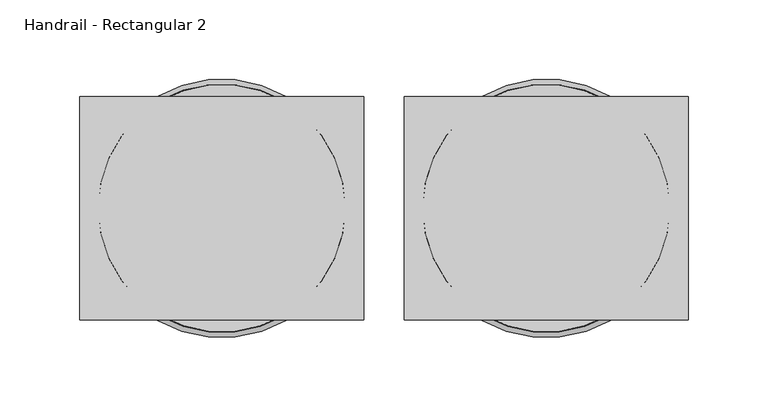
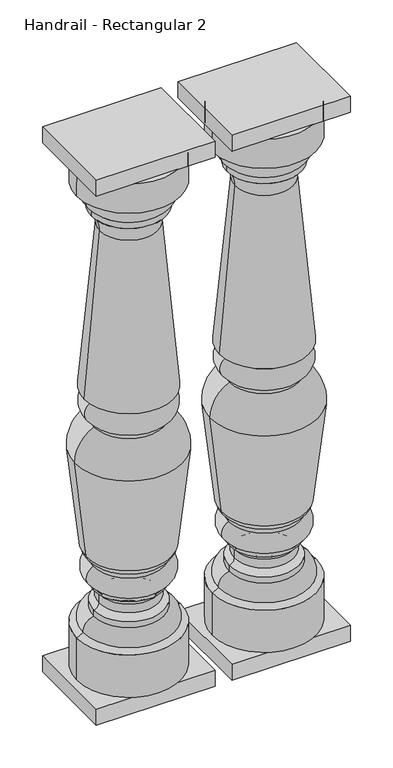
"""IFC4 building model written with IfcOpenShell, lengths in millimetres: railing geometry, Handrail - Rectangular 2."""

from ifc_helpers import new_model, si_unit, point, frame, origin, place, context, project, spatial, polyline, circle_curve, ellipse_curve, trimmed, outline, extrude, source, transform, mapped, element, save
from ifc_brep_helpers import plane_surface, cylinder_surface, revolved_surface, advanced_brep


def handrail_rectangular_2_6f6f7651(model_context):
    return source(origin(), model_context, "Body", "SolidModel", [
        advanced_brep(
        [(5358.7566037, 2117.5239298, 949.325), (5281.1953648, 2117.5239298, 949.325), (5436.3178426, 2117.5239298, 949.325), (5436.5441037, 2117.5239298, 136.525), (5280.9691037, 2117.5239298, 136.525), (5358.7566037, 2117.5239298, 136.525), (5436.5441037, 2117.5239298, 203.2), (5280.9691037, 2117.5239298, 203.2), (5426.9320698, 2117.5239298, 208.348485), (5290.5811377, 2117.5239298, 208.348485), (5411.1441037, 2117.5239298, 228.7310532), (5306.3691037, 2117.5239298, 228.7310532), (5411.1441037, 2117.5239298, 238.125), (5306.3691037, 2117.5239298, 238.125), (5403.5253868, 2117.5239298, 247.1598162), (5313.9878206, 2117.5239298, 247.1598162), (5403.5253868, 2117.5239298, 260.8401838), (5313.9878206, 2117.5239298, 260.8401838), (5411.1441037, 2117.5239298, 269.875), (5306.3691037, 2117.5239298, 269.875), (5411.1441037, 2117.5239298, 276.225), (5306.3691037, 2117.5239298, 276.225), (5411.9378537, 2117.5239298, 307.975), (5305.5753537, 2117.5239298, 307.975), (5411.9378537, 2117.5239298, 314.325), (5305.5753537, 2117.5239298, 314.325), (5422.7106385, 2117.5239298, 327.0157842), (5294.8025689, 2117.5239298, 327.0157842), (5439.7977192, 2117.5239298, 481.3725887), (5277.7154883, 2117.5239298, 481.3725887), (5411.1441037, 2117.5239298, 528.6375), (5306.3691037, 2117.5239298, 528.6375), (5411.1441037, 2117.5239298, 534.9875), (5306.3691037, 2117.5239298, 534.9875), (5414.3191037, 2117.5239298, 569.9125), (5303.1941037, 2117.5239298, 569.9125), (5414.3191037, 2117.5239298, 573.0875), (5303.1941037, 2117.5239298, 573.0875), (5425.4316037, 2117.5239298, 577.85), (5292.0816037, 2117.5239298, 577.85), (5402.2530916, 2117.5239298, 836.3199218), (5315.2601158, 2117.5239298, 836.3199218), (5414.3191037, 2117.5239298, 863.6), (5303.1941037, 2117.5239298, 863.6), (5414.3191037, 2117.5239298, 873.125), (5303.1941037, 2117.5239298, 873.125), (5425.4316037, 2117.5239298, 900.1125), (5292.0816037, 2117.5239298, 900.1125), (5436.5441037, 2117.5239298, 903.2875), (5280.9691037, 2117.5239298, 903.2875)],
        [
            (0, 1),
            (1, 2, circle_curve(frame((5358.7566037, 2117.5239298, 949.325), z_axis=(0.0, 0.0, 1.0), x_axis=(-1.0, 0.0, 0.0)), 77.5612389)),
            (2, 0),
            (2, 1, circle_curve(frame((5358.7566037, 2117.5239298, 949.325), z_axis=(0.0, 0.0, 1.0), x_axis=(-1.0, 0.0, 0.0)), 77.5612389)),
            (3, 4, circle_curve(frame((5358.7566037, 2117.5239298, 136.525), z_axis=(0.0, 0.0, -1.0), x_axis=(-1.0, 0.0, 0.0)), 77.7875)),
            (4, 5),
            (5, 3),
            (4, 3, circle_curve(frame((5358.7566037, 2117.5239298, 136.525), z_axis=(0.0, 0.0, -1.0), x_axis=(-1.0, 0.0, 0.0)), 77.7875)),
            (6, 7, circle_curve(frame((5358.7566037, 2117.5239298, 203.2), z_axis=(0.0, 0.0, -1.0), x_axis=(-1.0, 0.0, 0.0)), 77.7875)),
            (7, 4),
            (3, 6),
            (7, 6, circle_curve(frame((5358.7566037, 2117.5239298, 203.2), z_axis=(0.0, 0.0, -1.0), x_axis=(-1.0, 0.0, 0.0)), 77.7875)),
            (8, 9, circle_curve(frame((5358.7566037, 2117.5239298, 208.348485), z_axis=(0.0, 0.0, -1.0), x_axis=(-1.0, 0.0, 0.0)), 68.175466)),
            (9, 7),
            (6, 8),
            (9, 8, circle_curve(frame((5358.7566037, 2117.5239298, 208.348485), z_axis=(0.0, 0.0, -1.0), x_axis=(-1.0, 0.0, 0.0)), 68.175466)),
            (10, 11, circle_curve(frame((5358.7566037, 2117.5239298, 228.7310532), z_axis=(0.0, 0.0, -1.0), x_axis=(-1.0, 0.0, 0.0)), 52.3875)),
            (11, 9, circle_curve(frame((5308.7441926, 2117.5239298, 210.5855331), z_axis=(0.0, -1.0, 0.0), x_axis=(1.0, 0.0, 0.0)), 18.3002991)),
            (8, 10, circle_curve(frame((5408.7690149, 2117.5239298, 210.5855331), z_axis=(0.0, -1.0, 0.0), x_axis=(-1.0, 0.0, 0.0)), 18.3002991)),
            (11, 10, circle_curve(frame((5358.7566037, 2117.5239298, 228.7310532), z_axis=(0.0, 0.0, -1.0), x_axis=(-1.0, 0.0, 0.0)), 52.3875)),
            (12, 13, circle_curve(frame((5358.7566037, 2117.5239298, 238.125), z_axis=(0.0, 0.0, -1.0), x_axis=(-1.0, 0.0, 0.0)), 52.3875)),
            (13, 11),
            (10, 12),
            (13, 12, circle_curve(frame((5358.7566037, 2117.5239298, 238.125), z_axis=(0.0, 0.0, -1.0), x_axis=(-1.0, 0.0, 0.0)), 52.3875)),
            (14, 15, circle_curve(frame((5358.7566037, 2117.5239298, 247.1598162), z_axis=(0.0, 0.0, -1.0), x_axis=(-1.0, 0.0, 0.0)), 44.7687831)),
            (15, 13, circle_curve(frame((5304.5837685, 2117.5239298, 247.3602005), z_axis=(0.0, 1.0, 0.0), x_axis=(1.0, 0.0, 0.0)), 9.4061868)),
            (12, 14, circle_curve(frame((5412.929439, 2117.5239298, 247.3602005), z_axis=(0.0, 1.0, 0.0), x_axis=(-1.0, 0.0, 0.0)), 9.4061868)),
            (15, 14, circle_curve(frame((5358.7566037, 2117.5239298, 247.1598162), z_axis=(0.0, 0.0, -1.0), x_axis=(-1.0, 0.0, 0.0)), 44.7687831)),
            (16, 17, circle_curve(frame((5358.7566037, 2117.5239298, 260.8401838), z_axis=(0.0, 0.0, -1.0), x_axis=(-1.0, 0.0, 0.0)), 44.7687831)),
            (17, 15),
            (14, 16),
            (17, 16, circle_curve(frame((5358.7566037, 2117.5239298, 260.8401838), z_axis=(0.0, 0.0, -1.0), x_axis=(-1.0, 0.0, 0.0)), 44.7687831)),
            (18, 19, circle_curve(frame((5358.7566037, 2117.5239298, 269.875), z_axis=(0.0, 0.0, -1.0), x_axis=(-1.0, 0.0, 0.0)), 52.3875)),
            (19, 17, circle_curve(frame((5304.5837685, 2117.5239298, 260.6397995), z_axis=(0.0, 1.0, 0.0), x_axis=(1.0, 0.0, 0.0)), 9.4061868)),
            (16, 18, circle_curve(frame((5412.929439, 2117.5239298, 260.6397995), z_axis=(0.0, 1.0, 0.0), x_axis=(-1.0, 0.0, 0.0)), 9.4061868)),
            (19, 18, circle_curve(frame((5358.7566037, 2117.5239298, 269.875), z_axis=(0.0, 0.0, -1.0), x_axis=(-1.0, 0.0, 0.0)), 52.3875)),
            (20, 21, circle_curve(frame((5358.7566037, 2117.5239298, 276.225), z_axis=(0.0, 0.0, -1.0), x_axis=(-1.0, 0.0, 0.0)), 52.3875)),
            (21, 19),
            (18, 20),
            (21, 20, circle_curve(frame((5358.7566037, 2117.5239298, 276.225), z_axis=(0.0, 0.0, -1.0), x_axis=(-1.0, 0.0, 0.0)), 52.3875)),
            (22, 23, circle_curve(frame((5358.7566037, 2117.5239298, 307.975), z_axis=(0.0, 0.0, -1.0), x_axis=(-1.0, 0.0, 0.0)), 53.18125)),
            (23, 21, circle_curve(frame((5311.9481914, 2117.5239298, 292.2493991), z_axis=(0.0, -1.0, 0.0), x_axis=(1.0, 0.0, 0.0)), 16.9678397)),
            (20, 22, circle_curve(frame((5405.5650161, 2117.5239298, 292.2493991), z_axis=(0.0, -1.0, 0.0), x_axis=(-1.0, 0.0, 0.0)), 16.9678397)),
            (23, 22, circle_curve(frame((5358.7566037, 2117.5239298, 307.975), z_axis=(0.0, 0.0, -1.0), x_axis=(-1.0, 0.0, 0.0)), 53.18125)),
            (24, 25, circle_curve(frame((5358.7566037, 2117.5239298, 314.325), z_axis=(0.0, 0.0, -1.0), x_axis=(-1.0, 0.0, 0.0)), 53.18125)),
            (25, 23),
            (22, 24),
            (25, 24, circle_curve(frame((5358.7566037, 2117.5239298, 314.325), z_axis=(0.0, 0.0, -1.0), x_axis=(-1.0, 0.0, 0.0)), 53.18125)),
            (26, 27, circle_curve(frame((5358.7566037, 2117.5239298, 327.0157842), z_axis=(0.0, 0.0, -1.0), x_axis=(-1.0, 0.0, 0.0)), 63.9540348)),
            (27, 25, circle_curve(frame((5315.4087261, 2117.5239298, 333.5899445), z_axis=(0.0, -1.0, 0.0), x_axis=(1.0, 0.0, 0.0)), 21.6294545)),
            (24, 26, circle_curve(frame((5402.1044813, 2117.5239298, 333.5899445), z_axis=(0.0, -1.0, 0.0), x_axis=(-1.0, 0.0, 0.0)), 21.6294545)),
            (27, 26, circle_curve(frame((5358.7566037, 2117.5239298, 327.0157842), z_axis=(0.0, 0.0, -1.0), x_axis=(-1.0, 0.0, 0.0)), 63.9540348)),
            (28, 29, circle_curve(frame((5358.7566037, 2117.5239298, 481.3725887), z_axis=(0.0, 0.0, -1.0), x_axis=(-1.0, 0.0, 0.0)), 81.0411154)),
            (29, 27, circle_curve(frame((6772.042934, 2117.5239298, 568.6683698), z_axis=(0.0, -1.0, 0.0), x_axis=(1.0, 0.0, 0.0)), 1496.8751012)),
            (26, 28, circle_curve(frame((3945.4702734, 2117.5239298, 568.6683698), z_axis=(0.0, -1.0, 0.0), x_axis=(-1.0, 0.0, 0.0)), 1496.8751012)),
            (29, 28, circle_curve(frame((5358.7566037, 2117.5239298, 481.3725887), z_axis=(0.0, 0.0, -1.0), x_axis=(-1.0, 0.0, 0.0)), 81.0411154)),
            (30, 31, circle_curve(frame((5358.7566037, 2117.5239298, 528.6375), z_axis=(0.0, 0.0, -1.0), x_axis=(-1.0, 0.0, 0.0)), 52.3875)),
            (31, 29, circle_curve(frame((5329.4682544, 2117.5239298, 482.3161407), z_axis=(0.0, -1.0, 0.0), x_axis=(1.0, 0.0, 0.0)), 51.7613668)),
            (28, 30, circle_curve(frame((5388.044953, 2117.5239298, 482.3161407), z_axis=(0.0, -1.0, 0.0), x_axis=(-1.0, 0.0, 0.0)), 51.7613668)),
            (31, 30, circle_curve(frame((5358.7566037, 2117.5239298, 528.6375), z_axis=(0.0, 0.0, -1.0), x_axis=(-1.0, 0.0, 0.0)), 52.3875)),
            (32, 33, circle_curve(frame((5358.7566037, 2117.5239298, 534.9875), z_axis=(0.0, 0.0, -1.0), x_axis=(-1.0, 0.0, 0.0)), 52.3875)),
            (33, 31),
            (30, 32),
            (33, 32, circle_curve(frame((5358.7566037, 2117.5239298, 534.9875), z_axis=(0.0, 0.0, -1.0), x_axis=(-1.0, 0.0, 0.0)), 52.3875)),
            (34, 35, circle_curve(frame((5358.7566037, 2117.5239298, 569.9125), z_axis=(0.0, 0.0, -1.0), x_axis=(-1.0, 0.0, 0.0)), 55.5625)),
            (35, 33, circle_curve(frame((5311.4353561, 2117.5239298, 553.0548866), z_axis=(0.0, -1.0, 0.0), x_axis=(1.0, 0.0, 0.0)), 18.7642578)),
            (32, 34, circle_curve(frame((5406.0778513, 2117.5239298, 553.0548866), z_axis=(0.0, -1.0, 0.0), x_axis=(-1.0, 0.0, 0.0)), 18.7642578)),
            (35, 34, circle_curve(frame((5358.7566037, 2117.5239298, 569.9125), z_axis=(0.0, 0.0, -1.0), x_axis=(-1.0, 0.0, 0.0)), 55.5625)),
            (36, 37, circle_curve(frame((5358.7566037, 2117.5239298, 573.0875), z_axis=(0.0, 0.0, -1.0), x_axis=(-1.0, 0.0, 0.0)), 55.5625)),
            (37, 35),
            (34, 36),
            (37, 36, circle_curve(frame((5358.7566037, 2117.5239298, 573.0875), z_axis=(0.0, 0.0, -1.0), x_axis=(-1.0, 0.0, 0.0)), 55.5625)),
            (38, 39, circle_curve(frame((5358.7566037, 2117.5239298, 577.85), z_axis=(0.0, 0.0, -1.0), x_axis=(-1.0, 0.0, 0.0)), 66.675)),
            (39, 37),
            (36, 38),
            (39, 38, circle_curve(frame((5358.7566037, 2117.5239298, 577.85), z_axis=(0.0, 0.0, -1.0), x_axis=(-1.0, 0.0, 0.0)), 66.675)),
            (40, 41, circle_curve(frame((5358.7566037, 2117.5239298, 836.3199218), z_axis=(0.0, 0.0, -1.0), x_axis=(-1.0, 0.0, 0.0)), 43.4964879)),
            (41, 39, circle_curve(frame((3668.4236899, 2117.5239298, 853.7271544), z_axis=(0.0, 1.0, 0.0), x_axis=(1.0, 0.0, 0.0)), 1646.9284215)),
            (38, 40, circle_curve(frame((7049.0895176, 2117.5239298, 853.7271544), z_axis=(0.0, 1.0, 0.0), x_axis=(-1.0, 0.0, 0.0)), 1646.9284215)),
            (41, 40, circle_curve(frame((5358.7566037, 2117.5239298, 836.3199218), z_axis=(0.0, 0.0, -1.0), x_axis=(-1.0, 0.0, 0.0)), 43.4964879)),
            (42, 43, circle_curve(frame((5358.7566037, 2117.5239298, 863.6), z_axis=(0.0, 0.0, -1.0), x_axis=(-1.0, 0.0, 0.0)), 55.5625)),
            (43, 41, circle_curve(frame((5282.5559569, 2117.5239298, 838.1632773), z_axis=(0.0, 1.0, 0.0), x_axis=(1.0, 0.0, 0.0)), 32.7560676)),
            (40, 42, circle_curve(frame((5434.9572505, 2117.5239298, 838.1632773), z_axis=(0.0, 1.0, 0.0), x_axis=(-1.0, 0.0, 0.0)), 32.7560676)),
            (43, 42, circle_curve(frame((5358.7566037, 2117.5239298, 863.6), z_axis=(0.0, 0.0, -1.0), x_axis=(-1.0, 0.0, 0.0)), 55.5625)),
            (44, 45, circle_curve(frame((5358.7566037, 2117.5239298, 873.125), z_axis=(0.0, 0.0, -1.0), x_axis=(-1.0, 0.0, 0.0)), 55.5625)),
            (45, 43),
            (42, 44),
            (45, 44, circle_curve(frame((5358.7566037, 2117.5239298, 873.125), z_axis=(0.0, 0.0, -1.0), x_axis=(-1.0, 0.0, 0.0)), 55.5625)),
            (46, 47, circle_curve(frame((5358.7566037, 2117.5239298, 900.1125), z_axis=(0.0, 0.0, -1.0), x_axis=(-1.0, 0.0, 0.0)), 66.675)),
            (47, 45, circle_curve(frame((5321.4418255, 2117.5239298, 896.4203854), z_axis=(0.0, -1.0, 0.0), x_axis=(1.0, 0.0, 0.0)), 29.5914571)),
            (44, 46, circle_curve(frame((5396.0713819, 2117.5239298, 896.4203854), z_axis=(0.0, -1.0, 0.0), x_axis=(-1.0, 0.0, 0.0)), 29.5914571)),
            (47, 46, circle_curve(frame((5358.7566037, 2117.5239298, 900.1125), z_axis=(0.0, 0.0, -1.0), x_axis=(-1.0, 0.0, 0.0)), 66.675)),
            (48, 49, circle_curve(frame((5358.7566037, 2117.5239298, 903.2875), z_axis=(0.0, 0.0, -1.0), x_axis=(-1.0, 0.0, 0.0)), 77.7875)),
            (49, 47),
            (46, 48),
            (49, 48, circle_curve(frame((5358.7566037, 2117.5239298, 903.2875), z_axis=(0.0, 0.0, -1.0), x_axis=(-1.0, 0.0, 0.0)), 77.7875)),
            (1, 49),
            (48, 2),
        ],
        [
            plane_surface(frame((5358.7566037, 2117.5239298, 949.325), z_axis=(0.0, 0.0, 1.0), x_axis=(-1.0, 0.0, 0.0))),
            plane_surface(frame((5358.7566037, 2117.5239298, 136.525), z_axis=(0.0, 0.0, -1.0), x_axis=(-1.0, 0.0, 0.0))),
            cylinder_surface(frame((5358.7566037, 2117.5239298, 1019.175), z_axis=(0.0, 0.0, 1.0), x_axis=(-1.0, 0.0, 0.0)), 77.7875),
            revolved_surface(polyline([(5280.9691037, 2117.5239298, 203.2), (5290.5811377, 2117.5239298, 208.348485)]), (5358.7566037, 2117.5239298, 1019.175), (0.0, 0.0, 1.0)),
            revolved_surface(trimmed(ellipse_curve(frame((5308.7441926, 2117.5239298, 210.5855331), z_axis=(0.0, 1.0, 0.0), x_axis=(1.0, 0.0, 0.0)), 18.3002991, 18.3002991), [point((5290.5811377, 2117.5239298, 208.348485))], [point((5306.3691037, 2117.5239298, 228.7310532))], True, "CARTESIAN"), (5358.7566037, 2117.5239298, 1019.175), (0.0, 0.0, 1.0)),
            cylinder_surface(frame((5358.7566037, 2117.5239298, 1019.175), z_axis=(0.0, 0.0, 1.0), x_axis=(-1.0, 0.0, 0.0)), 52.3875),
            revolved_surface(trimmed(ellipse_curve(frame((5304.5837685, 2117.5239298, 247.3602005), z_axis=(0.0, -1.0, 0.0), x_axis=(1.0, 0.0, 0.0)), 9.4061868, 9.4061868), [point((5306.3691037, 2117.5239298, 238.125))], [point((5313.9878206, 2117.5239298, 247.1598162))], True, "CARTESIAN"), (5358.7566037, 2117.5239298, 1019.175), (0.0, 0.0, 1.0)),
            cylinder_surface(frame((5358.7566037, 2117.5239298, 1019.175), z_axis=(0.0, 0.0, 1.0), x_axis=(-1.0, 0.0, 0.0)), 44.7687831),
            revolved_surface(trimmed(ellipse_curve(frame((5304.5837685, 2117.5239298, 260.6397995), z_axis=(0.0, -1.0, 0.0), x_axis=(1.0, 0.0, 0.0)), 9.4061868, 9.4061868), [point((5313.9878206, 2117.5239298, 260.8401838))], [point((5306.3691037, 2117.5239298, 269.875))], True, "CARTESIAN"), (5358.7566037, 2117.5239298, 1019.175), (0.0, 0.0, 1.0)),
            revolved_surface(trimmed(ellipse_curve(frame((5311.9481914, 2117.5239298, 292.2493991), z_axis=(0.0, 1.0, 0.0), x_axis=(1.0, 0.0, 0.0)), 16.9678397, 16.9678397), [point((5306.3691037, 2117.5239298, 276.225))], [point((5305.5753537, 2117.5239298, 307.975))], True, "CARTESIAN"), (5358.7566037, 2117.5239298, 1019.175), (0.0, 0.0, 1.0)),
            cylinder_surface(frame((5358.7566037, 2117.5239298, 1019.175), z_axis=(0.0, 0.0, 1.0), x_axis=(-1.0, 0.0, 0.0)), 53.18125),
            revolved_surface(trimmed(ellipse_curve(frame((5315.4087261, 2117.5239298, 333.5899445), z_axis=(0.0, 1.0, 0.0), x_axis=(1.0, 0.0, 0.0)), 21.6294545, 21.6294545), [point((5305.5753537, 2117.5239298, 314.325))], [point((5294.8025689, 2117.5239298, 327.0157842))], True, "CARTESIAN"), (5358.7566037, 2117.5239298, 1019.175), (0.0, 0.0, 1.0)),
            revolved_surface(trimmed(ellipse_curve(frame((6772.042934, 2117.5239298, 568.6683698), z_axis=(0.0, 1.0, 0.0), x_axis=(1.0, 0.0, 0.0)), 1496.8751012, 1496.8751012), [point((5294.8025689, 2117.5239298, 327.0157842))], [point((5277.7154883, 2117.5239298, 481.3725887))], True, "CARTESIAN"), (5358.7566037, 2117.5239298, 1019.175), (0.0, 0.0, 1.0)),
            revolved_surface(trimmed(ellipse_curve(frame((5329.4682544, 2117.5239298, 482.3161407), z_axis=(0.0, 1.0, 0.0), x_axis=(1.0, 0.0, 0.0)), 51.7613668, 51.7613668), [point((5277.7154883, 2117.5239298, 481.3725887))], [point((5306.3691037, 2117.5239298, 528.6375))], True, "CARTESIAN"), (5358.7566037, 2117.5239298, 1019.175), (0.0, 0.0, 1.0)),
            revolved_surface(trimmed(ellipse_curve(frame((5311.4353561, 2117.5239298, 553.0548866), z_axis=(0.0, 1.0, 0.0), x_axis=(1.0, 0.0, 0.0)), 18.7642578, 18.7642578), [point((5306.3691037, 2117.5239298, 534.9875))], [point((5303.1941037, 2117.5239298, 569.9125))], True, "CARTESIAN"), (5358.7566037, 2117.5239298, 1019.175), (0.0, 0.0, 1.0)),
            cylinder_surface(frame((5358.7566037, 2117.5239298, 1019.175), z_axis=(0.0, 0.0, 1.0), x_axis=(-1.0, 0.0, 0.0)), 55.5625),
            revolved_surface(polyline([(5303.1941037, 2117.5239298, 573.0875), (5292.0816037, 2117.5239298, 577.85)]), (5358.7566037, 2117.5239298, 1019.175), (0.0, 0.0, 1.0)),
            revolved_surface(trimmed(ellipse_curve(frame((3668.4236899, 2117.5239298, 853.7271544), z_axis=(0.0, -1.0, 0.0), x_axis=(1.0, 0.0, 0.0)), 1646.9284215, 1646.9284215), [point((5292.0816037, 2117.5239298, 577.85))], [point((5315.2601158, 2117.5239298, 836.3199218))], True, "CARTESIAN"), (5358.7566037, 2117.5239298, 1019.175), (0.0, 0.0, 1.0)),
            revolved_surface(trimmed(ellipse_curve(frame((5282.5559569, 2117.5239298, 838.1632773), z_axis=(0.0, -1.0, 0.0), x_axis=(1.0, 0.0, 0.0)), 32.7560676, 32.7560676), [point((5315.2601158, 2117.5239298, 836.3199218))], [point((5303.1941037, 2117.5239298, 863.6))], True, "CARTESIAN"), (5358.7566037, 2117.5239298, 1019.175), (0.0, 0.0, 1.0)),
            revolved_surface(trimmed(ellipse_curve(frame((5321.4418255, 2117.5239298, 896.4203854), z_axis=(0.0, 1.0, 0.0), x_axis=(1.0, 0.0, 0.0)), 29.5914571, 29.5914571), [point((5303.1941037, 2117.5239298, 873.125))], [point((5292.0816037, 2117.5239298, 900.1125))], True, "CARTESIAN"), (5358.7566037, 2117.5239298, 1019.175), (0.0, 0.0, 1.0)),
            revolved_surface(polyline([(5292.0816037, 2117.5239298, 900.1125), (5280.9691037, 2117.5239298, 903.2875)]), (5358.7566037, 2117.5239298, 1019.175), (0.0, 0.0, 1.0)),
            revolved_surface(polyline([(5280.9691037, 2117.5239298, 903.2875), (5281.1953648, 2117.5239298, 949.325)]), (5358.7566037, 2117.5239298, 1019.175), (0.0, 0.0, 1.0)),
        ],
        [
            (0, [[1, 2, 3]]),
            (0, [[-3, 4, -1]]),
            (1, [[5, 6, 7]]),
            (1, [[8, -7, -6]]),
            (2, [[9, 10, -5, 11]]),
            (2, [[12, -11, -8, -10]]),
            (3, [[13, 14, -9, 15]]),
            (3, [[16, -15, -12, -14]]),
            (4, [[17, 18, -13, 19]]),
            (4, [[20, -19, -16, -18]]),
            (5, [[21, 22, -17, 23]]),
            (5, [[24, -23, -20, -22]]),
            (6, [[25, 26, -21, 27]]),
            (6, [[28, -27, -24, -26]]),
            (7, [[29, 30, -25, 31]]),
            (7, [[32, -31, -28, -30]]),
            (8, [[33, 34, -29, 35]]),
            (8, [[36, -35, -32, -34]]),
            (5, [[37, 38, -33, 39]]),
            (5, [[40, -39, -36, -38]]),
            (9, [[41, 42, -37, 43]]),
            (9, [[44, -43, -40, -42]]),
            (10, [[45, 46, -41, 47]]),
            (10, [[48, -47, -44, -46]]),
            (11, [[49, 50, -45, 51]]),
            (11, [[52, -51, -48, -50]]),
            (12, [[53, 54, -49, 55]]),
            (12, [[56, -55, -52, -54]]),
            (13, [[57, 58, -53, 59]]),
            (13, [[60, -59, -56, -58]]),
            (5, [[61, 62, -57, 63]]),
            (5, [[64, -63, -60, -62]]),
            (14, [[65, 66, -61, 67]]),
            (14, [[68, -67, -64, -66]]),
            (15, [[69, 70, -65, 71]]),
            (15, [[72, -71, -68, -70]]),
            (16, [[73, 74, -69, 75]]),
            (16, [[76, -75, -72, -74]]),
            (17, [[77, 78, -73, 79]]),
            (17, [[80, -79, -76, -78]]),
            (18, [[81, 82, -77, 83]]),
            (18, [[84, -83, -80, -82]]),
            (15, [[85, 86, -81, 87]]),
            (15, [[88, -87, -84, -86]]),
            (19, [[89, 90, -85, 91]]),
            (19, [[92, -91, -88, -90]]),
            (20, [[93, 94, -89, 95]]),
            (20, [[96, -95, -92, -94]]),
            (21, [[-2, 97, -93, 98]]),
            (21, [[-4, -98, -96, -97]]),
        ],
    ),
        extrude(outline(polyline([(5269.8566037, 2047.6739298), (5269.8566037, 2187.3739298), (5447.6566037, 2187.3739298), (5447.6566037, 2047.6739298), (5269.8566037, 2047.6739298)])), frame((0.0, 0.0, 111.125), z_axis=(0.0, 0.0, 1.0), x_axis=(1.0, 0.0, 0.0)), (0.0, 0.0, 1.0), 25.4),
        extrude(outline(polyline([(5269.8566037, 2187.3739298), (5447.6566037, 2187.3739298), (5447.6566037, 2047.6739298), (5269.8566037, 2047.6739298), (5269.8566037, 2187.3739298)])), frame((0.0, 0.0, 949.325), z_axis=(0.0, 0.0, 1.0), x_axis=(1.0, 0.0, 0.0)), (0.0, 0.0, 1.0), 25.4),
        advanced_brep(
        [(5155.5566037, 2117.5239298, 949.325), (5077.9953648, 2117.5239298, 949.325), (5233.1178426, 2117.5239298, 949.325), (5233.3441037, 2117.5239298, 136.525), (5077.7691037, 2117.5239298, 136.525), (5155.5566037, 2117.5239298, 136.525), (5233.3441037, 2117.5239298, 203.2), (5077.7691037, 2117.5239298, 203.2), (5223.7320698, 2117.5239298, 208.348485), (5087.3811377, 2117.5239298, 208.348485), (5207.9441037, 2117.5239298, 228.7310532), (5103.1691037, 2117.5239298, 228.7310532), (5207.9441037, 2117.5239298, 238.125), (5103.1691037, 2117.5239298, 238.125), (5200.3253868, 2117.5239298, 247.1598162), (5110.7878206, 2117.5239298, 247.1598162), (5200.3253868, 2117.5239298, 260.8401838), (5110.7878206, 2117.5239298, 260.8401838), (5207.9441037, 2117.5239298, 269.875), (5103.1691037, 2117.5239298, 269.875), (5207.9441037, 2117.5239298, 276.225), (5103.1691037, 2117.5239298, 276.225), (5208.7378537, 2117.5239298, 307.975), (5102.3753537, 2117.5239298, 307.975), (5208.7378537, 2117.5239298, 314.325), (5102.3753537, 2117.5239298, 314.325), (5219.5106385, 2117.5239298, 327.0157842), (5091.6025689, 2117.5239298, 327.0157842), (5236.5977192, 2117.5239298, 481.3725887), (5074.5154883, 2117.5239298, 481.3725887), (5207.9441037, 2117.5239298, 528.6375), (5103.1691037, 2117.5239298, 528.6375), (5207.9441037, 2117.5239298, 534.9875), (5103.1691037, 2117.5239298, 534.9875), (5211.1191037, 2117.5239298, 569.9125), (5099.9941037, 2117.5239298, 569.9125), (5211.1191037, 2117.5239298, 573.0875), (5099.9941037, 2117.5239298, 573.0875), (5222.2316037, 2117.5239298, 577.85), (5088.8816037, 2117.5239298, 577.85), (5199.0530916, 2117.5239298, 836.3199218), (5112.0601158, 2117.5239298, 836.3199218), (5211.1191037, 2117.5239298, 863.6), (5099.9941037, 2117.5239298, 863.6), (5211.1191037, 2117.5239298, 873.125), (5099.9941037, 2117.5239298, 873.125), (5222.2316037, 2117.5239298, 900.1125), (5088.8816037, 2117.5239298, 900.1125), (5233.3441037, 2117.5239298, 903.2875), (5077.7691037, 2117.5239298, 903.2875)],
        [
            (0, 1),
            (1, 2, circle_curve(frame((5155.5566037, 2117.5239298, 949.325), z_axis=(0.0, 0.0, 1.0), x_axis=(-1.0, 0.0, 0.0)), 77.5612389)),
            (2, 0),
            (2, 1, circle_curve(frame((5155.5566037, 2117.5239298, 949.325), z_axis=(0.0, 0.0, 1.0), x_axis=(-1.0, 0.0, 0.0)), 77.5612389)),
            (3, 4, circle_curve(frame((5155.5566037, 2117.5239298, 136.525), z_axis=(0.0, 0.0, -1.0), x_axis=(-1.0, 0.0, 0.0)), 77.7875)),
            (4, 5),
            (5, 3),
            (4, 3, circle_curve(frame((5155.5566037, 2117.5239298, 136.525), z_axis=(0.0, 0.0, -1.0), x_axis=(-1.0, 0.0, 0.0)), 77.7875)),
            (6, 7, circle_curve(frame((5155.5566037, 2117.5239298, 203.2), z_axis=(0.0, 0.0, -1.0), x_axis=(-1.0, 0.0, 0.0)), 77.7875)),
            (7, 4),
            (3, 6),
            (7, 6, circle_curve(frame((5155.5566037, 2117.5239298, 203.2), z_axis=(0.0, 0.0, -1.0), x_axis=(-1.0, 0.0, 0.0)), 77.7875)),
            (8, 9, circle_curve(frame((5155.5566037, 2117.5239298, 208.348485), z_axis=(0.0, 0.0, -1.0), x_axis=(-1.0, 0.0, 0.0)), 68.175466)),
            (9, 7),
            (6, 8),
            (9, 8, circle_curve(frame((5155.5566037, 2117.5239298, 208.348485), z_axis=(0.0, 0.0, -1.0), x_axis=(-1.0, 0.0, 0.0)), 68.175466)),
            (10, 11, circle_curve(frame((5155.5566037, 2117.5239298, 228.7310532), z_axis=(0.0, 0.0, -1.0), x_axis=(-1.0, 0.0, 0.0)), 52.3875)),
            (11, 9, circle_curve(frame((5105.5441926, 2117.5239298, 210.5855331), z_axis=(0.0, -1.0, 0.0), x_axis=(1.0, 0.0, 0.0)), 18.3002991)),
            (8, 10, circle_curve(frame((5205.5690149, 2117.5239298, 210.5855331), z_axis=(0.0, -1.0, 0.0), x_axis=(-1.0, 0.0, 0.0)), 18.3002991)),
            (11, 10, circle_curve(frame((5155.5566037, 2117.5239298, 228.7310532), z_axis=(0.0, 0.0, -1.0), x_axis=(-1.0, 0.0, 0.0)), 52.3875)),
            (12, 13, circle_curve(frame((5155.5566037, 2117.5239298, 238.125), z_axis=(0.0, 0.0, -1.0), x_axis=(-1.0, 0.0, 0.0)), 52.3875)),
            (13, 11),
            (10, 12),
            (13, 12, circle_curve(frame((5155.5566037, 2117.5239298, 238.125), z_axis=(0.0, 0.0, -1.0), x_axis=(-1.0, 0.0, 0.0)), 52.3875)),
            (14, 15, circle_curve(frame((5155.5566037, 2117.5239298, 247.1598162), z_axis=(0.0, 0.0, -1.0), x_axis=(-1.0, 0.0, 0.0)), 44.7687831)),
            (15, 13, circle_curve(frame((5101.3837685, 2117.5239298, 247.3602005), z_axis=(0.0, 1.0, 0.0), x_axis=(1.0, 0.0, 0.0)), 9.4061868)),
            (12, 14, circle_curve(frame((5209.729439, 2117.5239298, 247.3602005), z_axis=(0.0, 1.0, 0.0), x_axis=(-1.0, 0.0, 0.0)), 9.4061868)),
            (15, 14, circle_curve(frame((5155.5566037, 2117.5239298, 247.1598162), z_axis=(0.0, 0.0, -1.0), x_axis=(-1.0, 0.0, 0.0)), 44.7687831)),
            (16, 17, circle_curve(frame((5155.5566037, 2117.5239298, 260.8401838), z_axis=(0.0, 0.0, -1.0), x_axis=(-1.0, 0.0, 0.0)), 44.7687831)),
            (17, 15),
            (14, 16),
            (17, 16, circle_curve(frame((5155.5566037, 2117.5239298, 260.8401838), z_axis=(0.0, 0.0, -1.0), x_axis=(-1.0, 0.0, 0.0)), 44.7687831)),
            (18, 19, circle_curve(frame((5155.5566037, 2117.5239298, 269.875), z_axis=(0.0, 0.0, -1.0), x_axis=(-1.0, 0.0, 0.0)), 52.3875)),
            (19, 17, circle_curve(frame((5101.3837685, 2117.5239298, 260.6397995), z_axis=(0.0, 1.0, 0.0), x_axis=(1.0, 0.0, 0.0)), 9.4061868)),
            (16, 18, circle_curve(frame((5209.729439, 2117.5239298, 260.6397995), z_axis=(0.0, 1.0, 0.0), x_axis=(-1.0, 0.0, 0.0)), 9.4061868)),
            (19, 18, circle_curve(frame((5155.5566037, 2117.5239298, 269.875), z_axis=(0.0, 0.0, -1.0), x_axis=(-1.0, 0.0, 0.0)), 52.3875)),
            (20, 21, circle_curve(frame((5155.5566037, 2117.5239298, 276.225), z_axis=(0.0, 0.0, -1.0), x_axis=(-1.0, 0.0, 0.0)), 52.3875)),
            (21, 19),
            (18, 20),
            (21, 20, circle_curve(frame((5155.5566037, 2117.5239298, 276.225), z_axis=(0.0, 0.0, -1.0), x_axis=(-1.0, 0.0, 0.0)), 52.3875)),
            (22, 23, circle_curve(frame((5155.5566037, 2117.5239298, 307.975), z_axis=(0.0, 0.0, -1.0), x_axis=(-1.0, 0.0, 0.0)), 53.18125)),
            (23, 21, circle_curve(frame((5108.7481914, 2117.5239298, 292.2493991), z_axis=(0.0, -1.0, 0.0), x_axis=(1.0, 0.0, 0.0)), 16.9678397)),
            (20, 22, circle_curve(frame((5202.3650161, 2117.5239298, 292.2493991), z_axis=(0.0, -1.0, 0.0), x_axis=(-1.0, 0.0, 0.0)), 16.9678397)),
            (23, 22, circle_curve(frame((5155.5566037, 2117.5239298, 307.975), z_axis=(0.0, 0.0, -1.0), x_axis=(-1.0, 0.0, 0.0)), 53.18125)),
            (24, 25, circle_curve(frame((5155.5566037, 2117.5239298, 314.325), z_axis=(0.0, 0.0, -1.0), x_axis=(-1.0, 0.0, 0.0)), 53.18125)),
            (25, 23),
            (22, 24),
            (25, 24, circle_curve(frame((5155.5566037, 2117.5239298, 314.325), z_axis=(0.0, 0.0, -1.0), x_axis=(-1.0, 0.0, 0.0)), 53.18125)),
            (26, 27, circle_curve(frame((5155.5566037, 2117.5239298, 327.0157842), z_axis=(0.0, 0.0, -1.0), x_axis=(-1.0, 0.0, 0.0)), 63.9540348)),
            (27, 25, circle_curve(frame((5112.2087261, 2117.5239298, 333.5899445), z_axis=(0.0, -1.0, 0.0), x_axis=(1.0, 0.0, 0.0)), 21.6294545)),
            (24, 26, circle_curve(frame((5198.9044813, 2117.5239298, 333.5899445), z_axis=(0.0, -1.0, 0.0), x_axis=(-1.0, 0.0, 0.0)), 21.6294545)),
            (27, 26, circle_curve(frame((5155.5566037, 2117.5239298, 327.0157842), z_axis=(0.0, 0.0, -1.0), x_axis=(-1.0, 0.0, 0.0)), 63.9540348)),
            (28, 29, circle_curve(frame((5155.5566037, 2117.5239298, 481.3725887), z_axis=(0.0, 0.0, -1.0), x_axis=(-1.0, 0.0, 0.0)), 81.0411154)),
            (29, 27, circle_curve(frame((6568.842934, 2117.5239298, 568.6683698), z_axis=(0.0, -1.0, 0.0), x_axis=(1.0, 0.0, 0.0)), 1496.8751012)),
            (26, 28, circle_curve(frame((3742.2702734, 2117.5239298, 568.6683698), z_axis=(0.0, -1.0, 0.0), x_axis=(-1.0, 0.0, 0.0)), 1496.8751012)),
            (29, 28, circle_curve(frame((5155.5566037, 2117.5239298, 481.3725887), z_axis=(0.0, 0.0, -1.0), x_axis=(-1.0, 0.0, 0.0)), 81.0411154)),
            (30, 31, circle_curve(frame((5155.5566037, 2117.5239298, 528.6375), z_axis=(0.0, 0.0, -1.0), x_axis=(-1.0, 0.0, 0.0)), 52.3875)),
            (31, 29, circle_curve(frame((5126.2682544, 2117.5239298, 482.3161407), z_axis=(0.0, -1.0, 0.0), x_axis=(1.0, 0.0, 0.0)), 51.7613668)),
            (28, 30, circle_curve(frame((5184.844953, 2117.5239298, 482.3161407), z_axis=(0.0, -1.0, 0.0), x_axis=(-1.0, 0.0, 0.0)), 51.7613668)),
            (31, 30, circle_curve(frame((5155.5566037, 2117.5239298, 528.6375), z_axis=(0.0, 0.0, -1.0), x_axis=(-1.0, 0.0, 0.0)), 52.3875)),
            (32, 33, circle_curve(frame((5155.5566037, 2117.5239298, 534.9875), z_axis=(0.0, 0.0, -1.0), x_axis=(-1.0, 0.0, 0.0)), 52.3875)),
            (33, 31),
            (30, 32),
            (33, 32, circle_curve(frame((5155.5566037, 2117.5239298, 534.9875), z_axis=(0.0, 0.0, -1.0), x_axis=(-1.0, 0.0, 0.0)), 52.3875)),
            (34, 35, circle_curve(frame((5155.5566037, 2117.5239298, 569.9125), z_axis=(0.0, 0.0, -1.0), x_axis=(-1.0, 0.0, 0.0)), 55.5625)),
            (35, 33, circle_curve(frame((5108.2353561, 2117.5239298, 553.0548866), z_axis=(0.0, -1.0, 0.0), x_axis=(1.0, 0.0, 0.0)), 18.7642578)),
            (32, 34, circle_curve(frame((5202.8778513, 2117.5239298, 553.0548866), z_axis=(0.0, -1.0, 0.0), x_axis=(-1.0, 0.0, 0.0)), 18.7642578)),
            (35, 34, circle_curve(frame((5155.5566037, 2117.5239298, 569.9125), z_axis=(0.0, 0.0, -1.0), x_axis=(-1.0, 0.0, 0.0)), 55.5625)),
            (36, 37, circle_curve(frame((5155.5566037, 2117.5239298, 573.0875), z_axis=(0.0, 0.0, -1.0), x_axis=(-1.0, 0.0, 0.0)), 55.5625)),
            (37, 35),
            (34, 36),
            (37, 36, circle_curve(frame((5155.5566037, 2117.5239298, 573.0875), z_axis=(0.0, 0.0, -1.0), x_axis=(-1.0, 0.0, 0.0)), 55.5625)),
            (38, 39, circle_curve(frame((5155.5566037, 2117.5239298, 577.85), z_axis=(0.0, 0.0, -1.0), x_axis=(-1.0, 0.0, 0.0)), 66.675)),
            (39, 37),
            (36, 38),
            (39, 38, circle_curve(frame((5155.5566037, 2117.5239298, 577.85), z_axis=(0.0, 0.0, -1.0), x_axis=(-1.0, 0.0, 0.0)), 66.675)),
            (40, 41, circle_curve(frame((5155.5566037, 2117.5239298, 836.3199218), z_axis=(0.0, 0.0, -1.0), x_axis=(-1.0, 0.0, 0.0)), 43.4964879)),
            (41, 39, circle_curve(frame((3465.2236899, 2117.5239298, 853.7271544), z_axis=(0.0, 1.0, 0.0), x_axis=(1.0, 0.0, 0.0)), 1646.9284215)),
            (38, 40, circle_curve(frame((6845.8895176, 2117.5239298, 853.7271544), z_axis=(0.0, 1.0, 0.0), x_axis=(-1.0, 0.0, 0.0)), 1646.9284215)),
            (41, 40, circle_curve(frame((5155.5566037, 2117.5239298, 836.3199218), z_axis=(0.0, 0.0, -1.0), x_axis=(-1.0, 0.0, 0.0)), 43.4964879)),
            (42, 43, circle_curve(frame((5155.5566037, 2117.5239298, 863.6), z_axis=(0.0, 0.0, -1.0), x_axis=(-1.0, 0.0, 0.0)), 55.5625)),
            (43, 41, circle_curve(frame((5079.3559569, 2117.5239298, 838.1632773), z_axis=(0.0, 1.0, 0.0), x_axis=(1.0, 0.0, 0.0)), 32.7560676)),
            (40, 42, circle_curve(frame((5231.7572505, 2117.5239298, 838.1632773), z_axis=(0.0, 1.0, 0.0), x_axis=(-1.0, 0.0, 0.0)), 32.7560676)),
            (43, 42, circle_curve(frame((5155.5566037, 2117.5239298, 863.6), z_axis=(0.0, 0.0, -1.0), x_axis=(-1.0, 0.0, 0.0)), 55.5625)),
            (44, 45, circle_curve(frame((5155.5566037, 2117.5239298, 873.125), z_axis=(0.0, 0.0, -1.0), x_axis=(-1.0, 0.0, 0.0)), 55.5625)),
            (45, 43),
            (42, 44),
            (45, 44, circle_curve(frame((5155.5566037, 2117.5239298, 873.125), z_axis=(0.0, 0.0, -1.0), x_axis=(-1.0, 0.0, 0.0)), 55.5625)),
            (46, 47, circle_curve(frame((5155.5566037, 2117.5239298, 900.1125), z_axis=(0.0, 0.0, -1.0), x_axis=(-1.0, 0.0, 0.0)), 66.675)),
            (47, 45, circle_curve(frame((5118.2418255, 2117.5239298, 896.4203854), z_axis=(0.0, -1.0, 0.0), x_axis=(1.0, 0.0, 0.0)), 29.5914571)),
            (44, 46, circle_curve(frame((5192.8713819, 2117.5239298, 896.4203854), z_axis=(0.0, -1.0, 0.0), x_axis=(-1.0, 0.0, 0.0)), 29.5914571)),
            (47, 46, circle_curve(frame((5155.5566037, 2117.5239298, 900.1125), z_axis=(0.0, 0.0, -1.0), x_axis=(-1.0, 0.0, 0.0)), 66.675)),
            (48, 49, circle_curve(frame((5155.5566037, 2117.5239298, 903.2875), z_axis=(0.0, 0.0, -1.0), x_axis=(-1.0, 0.0, 0.0)), 77.7875)),
            (49, 47),
            (46, 48),
            (49, 48, circle_curve(frame((5155.5566037, 2117.5239298, 903.2875), z_axis=(0.0, 0.0, -1.0), x_axis=(-1.0, 0.0, 0.0)), 77.7875)),
            (1, 49),
            (48, 2),
        ],
        [
            plane_surface(frame((5155.5566037, 2117.5239298, 949.325), z_axis=(0.0, 0.0, 1.0), x_axis=(-1.0, 0.0, 0.0))),
            plane_surface(frame((5155.5566037, 2117.5239298, 136.525), z_axis=(0.0, 0.0, -1.0), x_axis=(-1.0, 0.0, 0.0))),
            cylinder_surface(frame((5155.5566037, 2117.5239298, 1019.175), z_axis=(0.0, 0.0, 1.0), x_axis=(-1.0, 0.0, 0.0)), 77.7875),
            revolved_surface(polyline([(5077.7691037, 2117.5239298, 203.2), (5087.3811377, 2117.5239298, 208.348485)]), (5155.5566037, 2117.5239298, 1019.175), (0.0, 0.0, 1.0)),
            revolved_surface(trimmed(ellipse_curve(frame((5105.5441926, 2117.5239298, 210.5855331), z_axis=(0.0, 1.0, 0.0), x_axis=(1.0, 0.0, 0.0)), 18.3002991, 18.3002991), [point((5087.3811377, 2117.5239298, 208.348485))], [point((5103.1691037, 2117.5239298, 228.7310532))], True, "CARTESIAN"), (5155.5566037, 2117.5239298, 1019.175), (0.0, 0.0, 1.0)),
            cylinder_surface(frame((5155.5566037, 2117.5239298, 1019.175), z_axis=(0.0, 0.0, 1.0), x_axis=(-1.0, 0.0, 0.0)), 52.3875),
            revolved_surface(trimmed(ellipse_curve(frame((5101.3837685, 2117.5239298, 247.3602005), z_axis=(0.0, -1.0, 0.0), x_axis=(1.0, 0.0, 0.0)), 9.4061868, 9.4061868), [point((5103.1691037, 2117.5239298, 238.125))], [point((5110.7878206, 2117.5239298, 247.1598162))], True, "CARTESIAN"), (5155.5566037, 2117.5239298, 1019.175), (0.0, 0.0, 1.0)),
            cylinder_surface(frame((5155.5566037, 2117.5239298, 1019.175), z_axis=(0.0, 0.0, 1.0), x_axis=(-1.0, 0.0, 0.0)), 44.7687831),
            revolved_surface(trimmed(ellipse_curve(frame((5101.3837685, 2117.5239298, 260.6397995), z_axis=(0.0, -1.0, 0.0), x_axis=(1.0, 0.0, 0.0)), 9.4061868, 9.4061868), [point((5110.7878206, 2117.5239298, 260.8401838))], [point((5103.1691037, 2117.5239298, 269.875))], True, "CARTESIAN"), (5155.5566037, 2117.5239298, 1019.175), (0.0, 0.0, 1.0)),
            revolved_surface(trimmed(ellipse_curve(frame((5108.7481914, 2117.5239298, 292.2493991), z_axis=(0.0, 1.0, 0.0), x_axis=(1.0, 0.0, 0.0)), 16.9678397, 16.9678397), [point((5103.1691037, 2117.5239298, 276.225))], [point((5102.3753537, 2117.5239298, 307.975))], True, "CARTESIAN"), (5155.5566037, 2117.5239298, 1019.175), (0.0, 0.0, 1.0)),
            cylinder_surface(frame((5155.5566037, 2117.5239298, 1019.175), z_axis=(0.0, 0.0, 1.0), x_axis=(-1.0, 0.0, 0.0)), 53.18125),
            revolved_surface(trimmed(ellipse_curve(frame((5112.2087261, 2117.5239298, 333.5899445), z_axis=(0.0, 1.0, 0.0), x_axis=(1.0, 0.0, 0.0)), 21.6294545, 21.6294545), [point((5102.3753537, 2117.5239298, 314.325))], [point((5091.6025689, 2117.5239298, 327.0157842))], True, "CARTESIAN"), (5155.5566037, 2117.5239298, 1019.175), (0.0, 0.0, 1.0)),
            revolved_surface(trimmed(ellipse_curve(frame((6568.842934, 2117.5239298, 568.6683698), z_axis=(0.0, 1.0, 0.0), x_axis=(1.0, 0.0, 0.0)), 1496.8751012, 1496.8751012), [point((5091.6025689, 2117.5239298, 327.0157842))], [point((5074.5154883, 2117.5239298, 481.3725887))], True, "CARTESIAN"), (5155.5566037, 2117.5239298, 1019.175), (0.0, 0.0, 1.0)),
            revolved_surface(trimmed(ellipse_curve(frame((5126.2682544, 2117.5239298, 482.3161407), z_axis=(0.0, 1.0, 0.0), x_axis=(1.0, 0.0, 0.0)), 51.7613668, 51.7613668), [point((5074.5154883, 2117.5239298, 481.3725887))], [point((5103.1691037, 2117.5239298, 528.6375))], True, "CARTESIAN"), (5155.5566037, 2117.5239298, 1019.175), (0.0, 0.0, 1.0)),
            revolved_surface(trimmed(ellipse_curve(frame((5108.2353561, 2117.5239298, 553.0548866), z_axis=(0.0, 1.0, 0.0), x_axis=(1.0, 0.0, 0.0)), 18.7642578, 18.7642578), [point((5103.1691037, 2117.5239298, 534.9875))], [point((5099.9941037, 2117.5239298, 569.9125))], True, "CARTESIAN"), (5155.5566037, 2117.5239298, 1019.175), (0.0, 0.0, 1.0)),
            cylinder_surface(frame((5155.5566037, 2117.5239298, 1019.175), z_axis=(0.0, 0.0, 1.0), x_axis=(-1.0, 0.0, 0.0)), 55.5625),
            revolved_surface(polyline([(5099.9941037, 2117.5239298, 573.0875), (5088.8816037, 2117.5239298, 577.85)]), (5155.5566037, 2117.5239298, 1019.175), (0.0, 0.0, 1.0)),
            revolved_surface(trimmed(ellipse_curve(frame((3465.2236899, 2117.5239298, 853.7271544), z_axis=(0.0, -1.0, 0.0), x_axis=(1.0, 0.0, 0.0)), 1646.9284215, 1646.9284215), [point((5088.8816037, 2117.5239298, 577.85))], [point((5112.0601158, 2117.5239298, 836.3199218))], True, "CARTESIAN"), (5155.5566037, 2117.5239298, 1019.175), (0.0, 0.0, 1.0)),
            revolved_surface(trimmed(ellipse_curve(frame((5079.3559569, 2117.5239298, 838.1632773), z_axis=(0.0, -1.0, 0.0), x_axis=(1.0, 0.0, 0.0)), 32.7560676, 32.7560676), [point((5112.0601158, 2117.5239298, 836.3199218))], [point((5099.9941037, 2117.5239298, 863.6))], True, "CARTESIAN"), (5155.5566037, 2117.5239298, 1019.175), (0.0, 0.0, 1.0)),
            revolved_surface(trimmed(ellipse_curve(frame((5118.2418255, 2117.5239298, 896.4203854), z_axis=(0.0, 1.0, 0.0), x_axis=(1.0, 0.0, 0.0)), 29.5914571, 29.5914571), [point((5099.9941037, 2117.5239298, 873.125))], [point((5088.8816037, 2117.5239298, 900.1125))], True, "CARTESIAN"), (5155.5566037, 2117.5239298, 1019.175), (0.0, 0.0, 1.0)),
            revolved_surface(polyline([(5088.8816037, 2117.5239298, 900.1125), (5077.7691037, 2117.5239298, 903.2875)]), (5155.5566037, 2117.5239298, 1019.175), (0.0, 0.0, 1.0)),
            revolved_surface(polyline([(5077.7691037, 2117.5239298, 903.2875), (5077.9953648, 2117.5239298, 949.325)]), (5155.5566037, 2117.5239298, 1019.175), (0.0, 0.0, 1.0)),
        ],
        [
            (0, [[1, 2, 3]]),
            (0, [[-3, 4, -1]]),
            (1, [[5, 6, 7]]),
            (1, [[8, -7, -6]]),
            (2, [[9, 10, -5, 11]]),
            (2, [[12, -11, -8, -10]]),
            (3, [[13, 14, -9, 15]]),
            (3, [[16, -15, -12, -14]]),
            (4, [[17, 18, -13, 19]]),
            (4, [[20, -19, -16, -18]]),
            (5, [[21, 22, -17, 23]]),
            (5, [[24, -23, -20, -22]]),
            (6, [[25, 26, -21, 27]]),
            (6, [[28, -27, -24, -26]]),
            (7, [[29, 30, -25, 31]]),
            (7, [[32, -31, -28, -30]]),
            (8, [[33, 34, -29, 35]]),
            (8, [[36, -35, -32, -34]]),
            (5, [[37, 38, -33, 39]]),
            (5, [[40, -39, -36, -38]]),
            (9, [[41, 42, -37, 43]]),
            (9, [[44, -43, -40, -42]]),
            (10, [[45, 46, -41, 47]]),
            (10, [[48, -47, -44, -46]]),
            (11, [[49, 50, -45, 51]]),
            (11, [[52, -51, -48, -50]]),
            (12, [[53, 54, -49, 55]]),
            (12, [[56, -55, -52, -54]]),
            (13, [[57, 58, -53, 59]]),
            (13, [[60, -59, -56, -58]]),
            (5, [[61, 62, -57, 63]]),
            (5, [[64, -63, -60, -62]]),
            (14, [[65, 66, -61, 67]]),
            (14, [[68, -67, -64, -66]]),
            (15, [[69, 70, -65, 71]]),
            (15, [[72, -71, -68, -70]]),
            (16, [[73, 74, -69, 75]]),
            (16, [[76, -75, -72, -74]]),
            (17, [[77, 78, -73, 79]]),
            (17, [[80, -79, -76, -78]]),
            (18, [[81, 82, -77, 83]]),
            (18, [[84, -83, -80, -82]]),
            (15, [[85, 86, -81, 87]]),
            (15, [[88, -87, -84, -86]]),
            (19, [[89, 90, -85, 91]]),
            (19, [[92, -91, -88, -90]]),
            (20, [[93, 94, -89, 95]]),
            (20, [[96, -95, -92, -94]]),
            (21, [[-2, 97, -93, 98]]),
            (21, [[-4, -98, -96, -97]]),
        ],
    ),
        extrude(outline(polyline([(5066.6566037, 2047.6739298), (5066.6566037, 2187.3739298), (5244.4566037, 2187.3739298), (5244.4566037, 2047.6739298), (5066.6566037, 2047.6739298)])), frame((0.0, 0.0, 111.125), z_axis=(0.0, 0.0, 1.0), x_axis=(1.0, 0.0, 0.0)), (0.0, 0.0, 1.0), 25.4),
        extrude(outline(polyline([(5066.6566037, 2187.3739298), (5244.4566037, 2187.3739298), (5244.4566037, 2047.6739298), (5066.6566037, 2047.6739298), (5066.6566037, 2187.3739298)])), frame((0.0, 0.0, 949.325), z_axis=(0.0, 0.0, 1.0), x_axis=(1.0, 0.0, 0.0)), (0.0, 0.0, 1.0), 25.4),
    ])


if __name__ == "__main__":
    model = new_model("IFC4")
    model_context = context("Model", 3, world=origin())
    ifc_project = project(units=[si_unit("LENGTHUNIT", "METRE", prefix="MILLI")], contexts=[model_context])
    site = spatial("IfcSite", under=ifc_project)
    building = spatial("IfcBuilding", under=site)
    placement = place(None, origin())
    handrail_rectangular_2_shape = handrail_rectangular_2_6f6f7651(model_context)
    element("IfcRailing", 1, ObjectType="Handrail - Rectangular 2", at=placement, inside=building, context=model_context, shape_type="MappedRepresentation", body=[
        mapped(handrail_rectangular_2_shape, transform((0.0, 0.0, 0.0), x_axis=(1.0, 0.0, 0.0), y_axis=(0.0, 1.0, 0.0), z_axis=(0.0, 0.0, 1.0))),
    ])
    save(model, "model.ifc")
